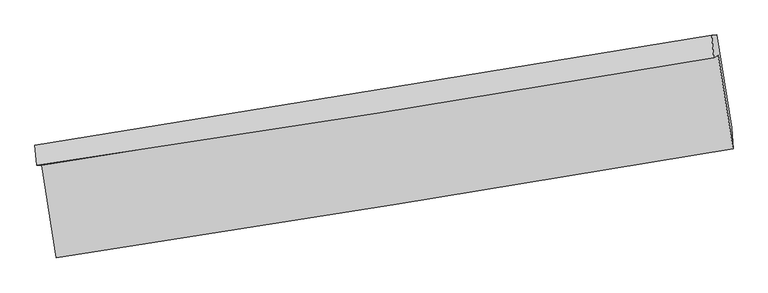
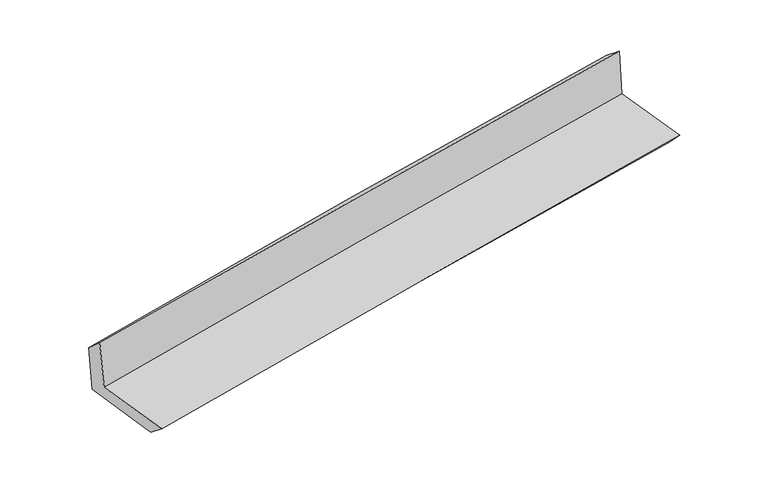
"""IFC4 building model written with IfcOpenShell, lengths in millimetres: proxy geometry."""

from ifc_helpers import new_model, si_unit, frame, origin, place, context, project, spatial, source, transform, mapped, element, save
from ifc_brep_helpers import plane_surface, spline_curve, spline_surface, advanced_brep


def generic_models_a9f8430b(model_context):
    return source(origin(), model_context, "Body", "AdvancedBrep", [
        advanced_brep(
        [(-2410.8866803, -1889.5755377, 1665.4764631), (-2307.467751, -2540.0722645, 1659.5419352), (2459.854954, -1770.9421429, 2109.6592832), (2354.9118356, -1114.7756981, 2115.5941783), (-2445.6755388, -1888.5447743, 2068.1879522), (2323.330818, -1129.9031206, 2510.7976198), (-2457.3591509, -1748.4328724, 1946.2769223), (2309.2371363, -974.1293173, 2386.3991861), (-2425.2653225, -1745.4336119, 1567.4947277), (2343.7910498, -970.4548462, 1977.8230273), (-2319.5928711, -2404.2834169, 1550.7199303), (2449.2616936, -1624.1756408, 1961.228434)],
        [
            (0, 1),
            (1, 2, spline_curve(3, [(-2307.467751, -2540.0722645, 1659.5419352), (-1509.70971997, -2416.851122414, 1745.431215861), (-711.907369406, -2290.869385162, 1826.019193091), (877.200927614, -2034.447296545, 1975.971161586), (1668.506145049, -1904.052326988, 2045.422299968), (2459.854954, -1770.9421429, 2109.6592832)], [4, 2, 4], [0.0, 7.988585022882787, 15.911236094098705])),
            (2, 3),
            (3, 0, spline_curve(3, [(2354.9118356, -1114.7756981, 2115.5941783), (1563.496863006, -1246.814463791, 2051.375560565), (772.284391505, -1377.140073451, 1981.933612204), (-816.31849836, -1635.435319762, 1831.981675002), (-1613.705532155, -1763.376323547, 1751.384384858), (-2410.8866803, -1889.5755377, 1665.4764631)], [4, 2, 4], [0.0, 7.922651071215918, 15.911236094098705])),
            (4, 0),
            (3, 5),
            (5, 4, spline_curve(3, [(2323.330818, -1129.9031206, 2510.7976198), (1532.039892407, -1264.794496742, 2450.373540357), (740.624592476, -1395.216942759, 2383.457219328), (-849.04211424, -1648.172186425, 2236.02917273), (-1647.295599996, -1770.630291364, 2155.408937949), (-2445.6755388, -1888.5447743, 2068.1879522)], [4, 2, 4], [0.0, 7.922112368587641, 15.910154205646723])),
            (6, 4),
            (5, 7),
            (7, 6, spline_curve(3, [(2309.2371363, -974.1293173, 2386.3991861), (1516.94649607, -1103.217842943, 2327.191874531), (725.22844542, -1232.02120439, 2261.092027753), (-863.646553658, -1490.127155812, 2114.499806048), (-1660.793932196, -1619.424979096, 2033.89223159), (-2457.3591509, -1748.4328724, 1946.2769223)], [4, 2, 4], [0.0, 7.921982263460691, 15.90989291263087])),
            (8, 6),
            (7, 9),
            (9, 8, spline_curve(3, [(2343.7910498, -970.4548462, 1977.8230273), (1551.908970034, -1099.431930836, 1913.648897838), (760.192734493, -1228.235143533, 1847.517647277), (-829.495494844, -1486.564304618, 1710.774258117), (-1627.464716698, -1616.087347292, 1640.129408832), (-2425.2653225, -1745.4336119, 1567.4947277)], [4, 2, 4], [0.0, 7.921598265807664, 15.909121721616401])),
            (10, 8),
            (9, 11),
            (11, 10, spline_curve(3, [(2449.2616936, -1624.1756408, 1961.228434), (1657.672848609, -1755.619071409, 1896.983331516), (866.120516354, -1886.084449555, 1830.80155448), (-723.498282194, -2146.136721729, 1693.997755585), (-1521.564138215, -2275.707268821, 1623.343364636), (-2319.5928711, -2404.2834169, 1550.7199303)], [4, 2, 4], [0.0, 7.921990516263122, 15.909909486917272])),
            (1, 10),
            (11, 2),
        ],
        [
            spline_surface(3, 3, [[(-2410.8866803, -1889.5755377, 1665.4764631), (-1613.705532266, -1763.376323443, 1751.384384777), (-816.318498343, -1635.435319771, 1831.981674931), (772.284391488, -1377.140073443, 1981.933612274), (1563.496862886, -1246.814463897, 2051.375560533), (2354.9118356, -1114.7756981, 2115.5941783)], [(-2376.413703874, -2106.407779996, 1663.498287129), (-1579.04026153, -1981.201256499, 1749.399995111), (-781.514788666, -1853.913341542, 1829.994181008), (807.256570196, -1596.242481186, 1979.946128669), (1598.499957008, -1465.893751587, 2049.391140387), (2389.892875091, -1333.497846384, 2113.615879935)], [(-2341.940727426, -2323.240022204, 1661.520111171), (-1544.374990772, -2199.026189468, 1747.415605457), (-746.711079035, -2072.391363289, 1828.006687114), (842.228748858, -1815.344888904, 1977.958645093), (1633.503051057, -1684.973039225, 2047.406720235), (2424.873914509, -1552.219994616, 2111.637581565)], [(-2307.467751, -2540.0722645, 1659.5419352), (-1509.709720036, -2416.851122524, 1745.431215791), (-711.907369357, -2290.86938506, 1826.019193191), (877.200927566, -2034.447296647, 1975.971161487), (1668.506145179, -1904.052326916, 2045.422300089), (2459.854954, -1770.9421429, 2109.6592832)]], [4, 4], [4, 2, 4], [0.0, 2.1807143157589817], [0.0, 7.988585022882787, 15.911236094098705]),
            spline_surface(3, 3, [[(-2445.6755388, -1888.5447743, 2068.1879522), (-1647.295599944, -1770.630291473, 2155.40893788), (-849.042114303, -1648.172186341, 2236.029172717), (740.624592538, -1395.216942843, 2383.457219342), (1532.039892506, -1264.794496777, 2450.373540415), (2323.330818, -1129.9031206, 2510.7976198)], [(-2434.079252634, -1888.888362077, 1933.950789156), (-1636.098910719, -1768.212302107, 2020.734086835), (-838.134242324, -1643.926564148, 2101.346673452), (751.177858846, -1389.191319707, 2249.616016983), (1542.525549293, -1258.801152488, 2317.374213792), (2333.85782386, -1124.860646438, 2379.063139304)], [(-2422.482966466, -1889.231949923, 1799.713626144), (-1624.902221492, -1765.794312809, 1886.059235822), (-827.226370321, -1639.680941963, 1966.664174197), (761.731125179, -1383.165696578, 2115.774814634), (1553.011206099, -1252.807808186, 2184.374887156), (2344.38482974, -1119.818172262, 2247.328658796)], [(-2410.8866803, -1889.5755377, 1665.4764631), (-1613.705532266, -1763.376323443, 1751.384384777), (-816.318498343, -1635.435319771, 1831.981674931), (772.284391488, -1377.140073443, 1981.933612274), (1563.496862886, -1246.814463897, 2051.375560533), (2354.9118356, -1114.7756981, 2115.5941783)]], [4, 4], [4, 2, 4], [0.0, 1.3266843977975262], [0.0, 7.988041837059082, 15.910154205646723]),
            spline_surface(3, 3, [[(-2457.3591509, -1748.4328724, 1946.2769223), (-1660.793932154, -1619.424979019, 2033.892231534), (-863.646553684, -1490.127155684, 2114.499806067), (725.228445446, -1232.021204516, 2261.092027734), (1516.946496071, -1103.217842817, 2327.191874474), (2309.2371363, -974.1293173, 2386.3991861)], [(-2453.464613538, -1795.13683972, 1986.913932265), (-1656.294488089, -1669.826749857, 2074.397800314), (-858.77840723, -1542.808832572, 2155.009594963), (730.36049447, -1286.41978396, 2301.880424949), (1521.977628221, -1157.076727472, 2368.252429768), (2313.935030205, -1026.053918402, 2427.865330646)], [(-2449.570076162, -1841.84080698, 2027.550942235), (-1651.79504401, -1720.228520634, 2114.9033691), (-853.910260756, -1595.490509453, 2195.519383821), (735.492543514, -1340.818363398, 2342.668822126), (1527.008760356, -1210.935612122, 2409.312985122), (2318.632924095, -1077.978519498, 2469.331475254)], [(-2445.6755388, -1888.5447743, 2068.1879522), (-1647.295599944, -1770.630291473, 2155.40893788), (-849.042114303, -1648.172186341, 2236.029172717), (740.624592538, -1395.216942843, 2383.457219342), (1532.039892506, -1264.794496777, 2450.373540415), (2323.330818, -1129.9031206, 2510.7976198)]], [4, 4], [4, 2, 4], [0.0, 0.6634048965977671], [0.0, 7.987910649170178, 15.90989291263087]),
            spline_surface(3, 3, [[(-2425.2653225, -1745.4336119, 1567.4947277), (-1627.4647168, -1616.087347394, 1640.12940887), (-829.495494831, -1486.564304708, 1710.774258097), (760.19273448, -1228.235143444, 1847.517647297), (1551.908969928, -1099.431930876, 1913.648897893), (2343.7910498, -970.4548462, 1977.8230273)], [(-2435.963265289, -1746.433365401, 1693.755459261), (-1638.574455241, -1617.199891269, 1771.383683119), (-840.879181105, -1487.751921692, 1845.349440745), (748.537971479, -1229.497163793, 1985.375774101), (1540.254811965, -1100.693901514, 2051.496556756), (2332.273078622, -971.679669891, 2114.015080236)], [(-2446.661208111, -1747.433118899, 1820.016190739), (-1649.684193714, -1618.312435143, 1902.637957285), (-852.26286741, -1488.9395387, 1979.924623419), (736.883208447, -1230.759184167, 2123.23390093), (1528.600654035, -1101.955872179, 2189.344215611), (2320.755107478, -972.904493609, 2250.207133164)], [(-2457.3591509, -1748.4328724, 1946.2769223), (-1660.793932154, -1619.424979019, 2033.892231534), (-863.646553684, -1490.127155684, 2114.499806067), (725.228445446, -1232.021204516, 2261.092027734), (1516.946496071, -1103.217842817, 2327.191874474), (2309.2371363, -974.1293173, 2386.3991861)]], [4, 4], [4, 2, 4], [0.0, 1.3454192905686622], [0.0, 7.987523455808737, 15.909121721616401]),
            spline_surface(3, 3, [[(-2319.5928711, -2404.2834169, 1550.7199303), (-1521.564138106, -2275.707268897, 1623.343364682), (-723.498282166, -2146.136721748, 1693.997755552), (866.120516326, -1886.084449536, 1830.801554512), (1657.672848625, -1755.61907131, 1896.983331523), (2449.2616936, -1624.1756408, 1961.228434)], [(-2354.817021577, -2184.666815217, 1556.31152943), (-1556.864331015, -2055.833961713, 1628.938712741), (-758.830686413, -1926.27924942, 1699.589923069), (830.811255685, -1666.801347524, 1836.373585442), (1622.418222393, -1536.890024488, 1902.538520323), (2414.104812333, -1406.268709256, 1966.759965109)], [(-2390.041172023, -1965.050213583, 1561.90312857), (-1592.164523891, -1835.960654578, 1634.534060811), (-794.163090584, -1706.421777036, 1705.182090581), (795.501995121, -1447.518245456, 1841.945616367), (1587.163596161, -1318.160977698, 1908.093709094), (2378.947931067, -1188.361777744, 1972.291496191)], [(-2425.2653225, -1745.4336119, 1567.4947277), (-1627.4647168, -1616.087347394, 1640.12940887), (-829.495494831, -1486.564304708, 1710.774258097), (760.19273448, -1228.235143444, 1847.517647297), (1551.908969928, -1099.431930876, 1913.648897893), (2343.7910498, -970.4548462, 1977.8230273)]], [4, 4], [4, 2, 4], [0.0, 2.18962062039643], [0.0, 7.98791897065415, 15.909909486917272]),
            spline_surface(3, 3, [[(-2307.467751, -2540.0722645, 1659.5419352), (-1509.709720036, -2416.851122524, 1745.431215791), (-711.907369357, -2290.86938506, 1826.019193191), (877.200927566, -2034.447296647, 1975.971161487), (1668.506145179, -1904.052326916, 2045.422300089), (2459.854954, -1770.9421429, 2109.6592832)], [(-2311.509457688, -2494.809315289, 1623.26793356), (-1513.661192713, -2369.803171305, 1704.735265415), (-715.771006946, -2242.625163938, 1782.012047319), (873.507457167, -1984.993014259, 1927.581292503), (1664.895046316, -1854.574575043, 1995.942643903), (2456.323867188, -1722.019975529, 2060.182333469)], [(-2315.551164412, -2449.546366111, 1586.99393194), (-1517.612665428, -2322.755220117, 1664.039315059), (-719.634644578, -2194.38094287, 1738.004901424), (869.813986725, -1935.538731925, 1879.191423496), (1661.283947488, -1805.096823183, 1946.462987709), (2452.792780412, -1673.097808171, 2010.705383731)], [(-2319.5928711, -2404.2834169, 1550.7199303), (-1521.564138106, -2275.707268897, 1623.343364682), (-723.498282166, -2146.136721748, 1693.997755552), (866.120516326, -1886.084449536, 1830.801554512), (1657.672848625, -1755.61907131, 1896.983331523), (2449.2616936, -1624.1756408, 1961.228434)]], [4, 4], [4, 2, 4], [0.0, 0.6626478487274946], [0.0, 7.9886780980410395, 15.911421476217466]),
            plane_surface(frame((2373.3979145, -1264.063461, 2176.9169548), z_axis=(0.9840274652408153, 0.15661368584795848, 0.08462919742531674), x_axis=(-0.08426732336879454, -0.008961006451095401, 0.9964028896865176))),
            plane_surface(frame((-2394.3745524, -2036.0570796, 1742.9496551), z_axis=(-0.9841737323139508, -0.15569641559837777, -0.0846208649982104), x_axis=(-0.15700622811694165, 0.9875565160390012, 0.009009548346117916))),
        ],
        [
            (0, [[1, 2, 3, 4]]),
            (1, [[5, -4, 6, 7]]),
            (2, [[8, -7, 9, 10]]),
            (3, [[11, -10, 12, 13]]),
            (4, [[14, -13, 15, 16]]),
            (5, [[17, -16, 18, -2]]),
            (6, [[-12, -9, -6, -3, -18, -15]]),
            (7, [[-1, -5, -8, -11, -14, -17]]),
        ],
    ),
    ])


if __name__ == "__main__":
    model = new_model("IFC4")
    model_context = context("Model", 3, world=origin())
    ifc_project = project(units=[si_unit("LENGTHUNIT", "METRE", prefix="MILLI")], contexts=[model_context])
    site = spatial("IfcSite", under=ifc_project)
    building = spatial("IfcBuilding", under=site)
    placement = place(None, origin())
    generic_models_shape = generic_models_a9f8430b(model_context)
    element("IfcBuildingElementProxy", 1, Name="Generic Models", at=placement, inside=building, context=model_context, shape_type="MappedRepresentation", body=[
        mapped(generic_models_shape, transform((0.0, 0.0, 0.0), x_axis=(1.0, 0.0, 0.0), y_axis=(0.0, 1.0, 0.0), z_axis=(0.0, 0.0, 1.0))),
    ])
    save(model, "model.ifc")
